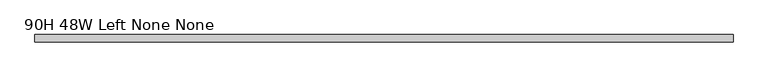
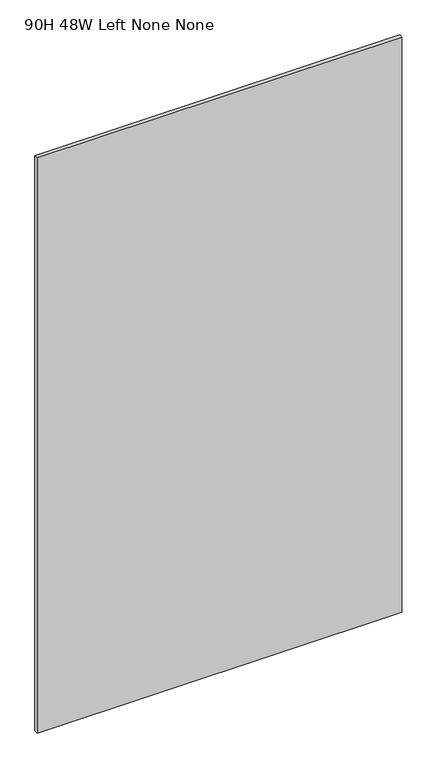
"""IFC4 building model written with IfcOpenShell, lengths in millimetres: furniture geometry, 90H 48W Left None None."""

from ifc_helpers import new_model, si_unit, frame, origin, place, context, project, spatial, polyline, outline, extrude, source, transform, mapped, element, save


def furniture_90h_48w_left_none_none_2f03f7be(model_context):
    return source(origin(), model_context, "Body", "SweptSolid", [
        extrude(outline(polyline([(1219.2, -50.8000015), (0.0, -50.8000015), (0.0, -38.1), (1219.2, -38.1), (1219.2, -50.8000015)])), frame((0.0, 0.0, 139.700003), z_axis=(0.0, 0.0, 1.0), x_axis=(1.0, 0.0, 0.0)), (0.0, 0.0, 1.0), 2031.999997),
    ])


if __name__ == "__main__":
    model = new_model("IFC4")
    model_context = context("Model", 3, world=origin())
    ifc_project = project(units=[si_unit("LENGTHUNIT", "METRE", prefix="MILLI")], contexts=[model_context])
    site = spatial("IfcSite", under=ifc_project)
    building = spatial("IfcBuilding", under=site)
    placement = place(None, origin())
    furniture_90h_48w_left_none_none_shape = furniture_90h_48w_left_none_none_2f03f7be(model_context)
    element("IfcFurniture", 1, ObjectType="90H 48W Left None None", at=placement, inside=building, context=model_context, shape_type="MappedRepresentation", body=[
        mapped(furniture_90h_48w_left_none_none_shape, transform((0.0, 0.0, 0.0), x_axis=(1.0, 0.0, 0.0), y_axis=(0.0, 1.0, 0.0), z_axis=(0.0, 0.0, 1.0))),
    ])
    save(model, "model.ifc")
